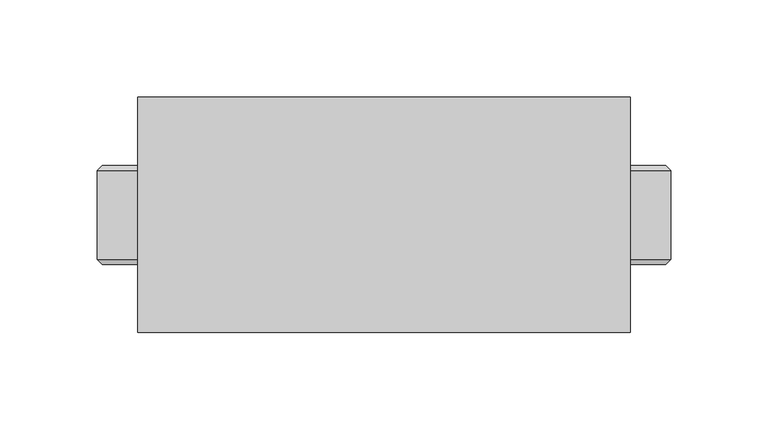
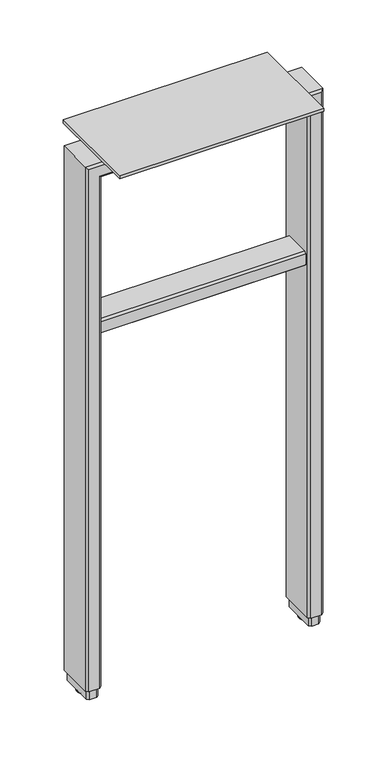
"""IFC4 building model written with IfcOpenShell, lengths in millimetres: furniture geometry."""

from ifc_helpers import new_model, si_unit, point, frame, origin, place, context, project, spatial, polyline, circle_curve, ellipse_curve, trimmed, outline, extrude, faceted_brep, source, transform, mapped, element, save
from ifc_brep_helpers import plane_surface, cylinder_surface, revolved_surface, advanced_brep


def furniture_3f51b61f(model_context):
    return source(origin(), model_context, "Body", "SolidModel", [
        advanced_brep(
        [(-899.438201, 252.9074928, 0.0), (-899.438201, 242.7474889, 0.0), (-899.438201, 247.8274909, 0.0), (-899.438201, 247.8274909, 3.8100001), (-899.438201, 241.204846, 3.8100001), (-899.438201, 254.4501357, 3.8100001), (-899.438201, 240.7154908, 3.183654), (-899.438201, 254.9394909, 3.183654), (-899.438201, 240.7154908, 2.032), (-899.438201, 254.9394909, 2.032)],
        [
            (0, 1, circle_curve(frame((-899.438201, 247.8274909, 0.0), z_axis=(0.0, 0.0, -1.0), x_axis=(0.0, -1.0, 0.0)), 5.080002)),
            (1, 2),
            (2, 0),
            (1, 0, circle_curve(frame((-899.438201, 247.8274909, 0.0), z_axis=(0.0, 0.0, -1.0), x_axis=(0.0, -1.0, 0.0)), 5.080002)),
            (3, 4),
            (4, 5, circle_curve(frame((-899.438201, 247.8274909, 3.8100001), z_axis=(0.0, 0.0, 1.0), x_axis=(0.0, -1.0, 0.0)), 6.6226448)),
            (5, 3),
            (5, 4, circle_curve(frame((-899.438201, 247.8274909, 3.8100001), z_axis=(0.0, 0.0, 1.0), x_axis=(0.0, -1.0, 0.0)), 6.6226448)),
            (4, 6),
            (6, 7, circle_curve(frame((-899.438201, 247.8274909, 3.183654), z_axis=(0.0, 0.0, 1.0), x_axis=(0.0, -1.0, 0.0)), 7.112)),
            (7, 5),
            (7, 6, circle_curve(frame((-899.438201, 247.8274909, 3.183654), z_axis=(0.0, 0.0, 1.0), x_axis=(0.0, -1.0, 0.0)), 7.112)),
            (6, 8),
            (8, 9, circle_curve(frame((-899.438201, 247.8274909, 2.032), z_axis=(0.0, 0.0, 1.0), x_axis=(0.0, -1.0, 0.0)), 7.112)),
            (9, 7),
            (9, 8, circle_curve(frame((-899.438201, 247.8274909, 2.032), z_axis=(0.0, 0.0, 1.0), x_axis=(0.0, -1.0, 0.0)), 7.112)),
            (8, 1, circle_curve(frame((-899.438201, 244.1843303, 3.4688381), z_axis=(1.0, 0.0, 0.0), x_axis=(0.0, -1.0, 0.0)), 3.7546439)),
            (0, 9, circle_curve(frame((-899.438201, 251.4706514, 3.4688381), z_axis=(1.0, 0.0, 0.0), x_axis=(0.0, 1.0, 0.0)), 3.7546439)),
        ],
        [
            plane_surface(frame((-899.438201, 247.8274909, 0.0), z_axis=(0.0, 0.0, -1.0), x_axis=(0.0, -1.0, 0.0))),
            plane_surface(frame((-899.438201, 247.8274909, 3.8100001), z_axis=(0.0, 0.0, 1.0), x_axis=(0.0, -1.0, 0.0))),
            revolved_surface(polyline([(-899.438201, 240.7154908, 3.183654), (-899.438201, 241.204846, 3.8100001)]), (-899.438201, 247.8274909, -2.6032322), (0.0, 0.0, 1.0)),
            cylinder_surface(frame((-899.438201, 247.8274909, -2.6032322), z_axis=(0.0, 0.0, 1.0), x_axis=(0.0, -1.0, 0.0)), 7.112),
            revolved_surface(trimmed(ellipse_curve(frame((-899.438201, 244.1843303, 3.4688381), z_axis=(-1.0, 0.0, 0.0), x_axis=(0.0, -1.0, 0.0)), 3.7546439, 3.7546439), [point((-899.438201, 242.7474889, 0.0))], [point((-899.438201, 240.7154908, 2.032))], True, "CARTESIAN"), (-899.438201, 247.8274909, -2.6032322), (0.0, 0.0, 1.0)),
        ],
        [
            (0, [[1, 2, 3]]),
            (0, [[4, -3, -2]]),
            (1, [[5, 6, 7]]),
            (1, [[-7, 8, -5]]),
            (2, [[-6, 9, 10, 11]]),
            (2, [[-8, -11, 12, -9]]),
            (3, [[-10, 13, 14, 15]]),
            (3, [[-12, -15, 16, -13]]),
            (4, [[-14, 17, -1, 18]]),
            (4, [[-16, -18, -4, -17]]),
        ],
    ),
        extrude(outline(polyline([(-888.262201, 308.1530872), (-635.735401, 308.1530872), (-635.735401, 187.5030872), (-888.262201, 187.5030872), (-888.262201, 308.1530872)])), frame((0.0, 0.0, 702.6656222), z_axis=(0.0, 0.0, 1.0), x_axis=(1.0, 0.0, 0.0)), (0.0, 0.0, 1.0), 4.3434),
        extrude(outline(polyline([(228.7780889, 476.5039908), (228.7780889, 490.4739928), (231.3180893, 493.0139932), (264.3380896, 493.0139932), (266.8780872, 490.4739956), (266.8780872, 476.5039908), (264.3380896, 473.9639932), (231.3180865, 473.9639932), (228.7780889, 476.5039908)])), frame((-889.913201, 0.0, 0.0), z_axis=(1.0, 0.0, 0.0), x_axis=(0.0, 1.0, 0.0)), (0.0, 0.0, 1.0), 255.8288),
        advanced_brep(
        [(-624.559401, 252.9074928, 0.0), (-624.559401, 242.7474889, 0.0), (-624.559401, 247.8274909, 0.0), (-624.559401, 247.8274909, 3.8100001), (-624.559401, 241.204846, 3.8100001), (-624.559401, 254.4501357, 3.8100001), (-624.559401, 240.7154908, 3.183654), (-624.559401, 254.9394909, 3.183654), (-624.559401, 240.7154908, 2.032), (-624.559401, 254.9394909, 2.032)],
        [
            (0, 1, circle_curve(frame((-624.559401, 247.8274909, 0.0), z_axis=(0.0, 0.0, -1.0), x_axis=(0.0, -1.0, 0.0)), 5.080002)),
            (1, 2),
            (2, 0),
            (1, 0, circle_curve(frame((-624.559401, 247.8274909, 0.0), z_axis=(0.0, 0.0, -1.0), x_axis=(0.0, -1.0, 0.0)), 5.080002)),
            (3, 4),
            (4, 5, circle_curve(frame((-624.559401, 247.8274909, 3.8100001), z_axis=(0.0, 0.0, 1.0), x_axis=(0.0, -1.0, 0.0)), 6.6226448)),
            (5, 3),
            (5, 4, circle_curve(frame((-624.559401, 247.8274909, 3.8100001), z_axis=(0.0, 0.0, 1.0), x_axis=(0.0, -1.0, 0.0)), 6.6226448)),
            (4, 6),
            (6, 7, circle_curve(frame((-624.559401, 247.8274909, 3.183654), z_axis=(0.0, 0.0, 1.0), x_axis=(0.0, -1.0, 0.0)), 7.112)),
            (7, 5),
            (7, 6, circle_curve(frame((-624.559401, 247.8274909, 3.183654), z_axis=(0.0, 0.0, 1.0), x_axis=(0.0, -1.0, 0.0)), 7.112)),
            (6, 8),
            (8, 9, circle_curve(frame((-624.559401, 247.8274909, 2.032), z_axis=(0.0, 0.0, 1.0), x_axis=(0.0, -1.0, 0.0)), 7.112)),
            (9, 7),
            (9, 8, circle_curve(frame((-624.559401, 247.8274909, 2.032), z_axis=(0.0, 0.0, 1.0), x_axis=(0.0, -1.0, 0.0)), 7.112)),
            (8, 1, circle_curve(frame((-624.559401, 244.1843303, 3.4688381), z_axis=(1.0, 0.0, 0.0), x_axis=(0.0, -1.0, 0.0)), 3.7546439)),
            (0, 9, circle_curve(frame((-624.559401, 251.4706514, 3.4688381), z_axis=(1.0, 0.0, 0.0), x_axis=(0.0, 1.0, 0.0)), 3.7546439)),
        ],
        [
            plane_surface(frame((-624.559401, 247.8274909, 0.0), z_axis=(0.0, 0.0, -1.0), x_axis=(0.0, -1.0, 0.0))),
            plane_surface(frame((-624.559401, 247.8274909, 3.8100001), z_axis=(0.0, 0.0, 1.0), x_axis=(0.0, -1.0, 0.0))),
            revolved_surface(polyline([(-624.559401, 240.7154908, 3.183654), (-624.559401, 241.204846, 3.8100001)]), (-624.559401, 247.8274909, -2.6032322), (0.0, 0.0, 1.0)),
            cylinder_surface(frame((-624.559401, 247.8274909, -2.6032322), z_axis=(0.0, 0.0, 1.0), x_axis=(0.0, -1.0, 0.0)), 7.112),
            revolved_surface(trimmed(ellipse_curve(frame((-624.559401, 244.1843303, 3.4688381), z_axis=(-1.0, 0.0, 0.0), x_axis=(0.0, -1.0, 0.0)), 3.7546439, 3.7546439), [point((-624.559401, 242.7474889, 0.0))], [point((-624.559401, 240.7154908, 2.032))], True, "CARTESIAN"), (-624.559401, 247.8274909, -2.6032322), (0.0, 0.0, 1.0)),
        ],
        [
            (0, [[1, 2, 3]]),
            (0, [[4, -3, -2]]),
            (1, [[5, 6, 7]]),
            (1, [[-7, 8, -5]]),
            (2, [[-6, 9, 10, 11]]),
            (2, [[-8, -11, 12, -9]]),
            (3, [[-10, 13, 14, 15]]),
            (3, [[-12, -15, 16, -13]]),
            (4, [[-14, 17, -1, 18]]),
            (4, [[-16, -18, -4, -17]]),
        ],
    ),
        extrude(outline(polyline([(-631.6713942, 227.3810872), (-631.6713942, 268.2744895), (-629.1313967, 270.8150861), (-619.9874054, 270.8150861), (-617.4474078, 268.2744895), (-617.4474078, 227.3810872), (-619.9874054, 224.8410873), (-629.1313967, 224.8410873), (-631.6713942, 227.3810872)])), frame((0.0, 0.0, 3.8100001), z_axis=(0.0, 0.0, 1.0), x_axis=(1.0, 0.0, 0.0)), (0.0, 0.0, 1.0), 12.6999999),
        extrude(outline(polyline([(-906.550201, 227.3810872), (-906.550201, 268.2744895), (-904.0102034, 270.8150861), (-894.8662122, 270.8150861), (-892.3262146, 268.2744895), (-892.3262146, 227.3810872), (-894.8662122, 224.8410873), (-904.0102034, 224.8410873), (-906.550201, 227.3810872)])), frame((0.0, 0.0, 3.8100001), z_axis=(0.0, 0.0, 1.0), x_axis=(1.0, 0.0, 0.0)), (0.0, 0.0, 1.0), 12.6999999),
        faceted_brep([(-617.5743986, 222.4274872, 16.51), (-631.5444034, 222.4274872, 16.51), (-634.084401, 224.9674872, 16.51), (-634.084401, 270.6874861, 16.51), (-631.5443989, 273.2274883, 16.51), (-617.5744031, 273.2274883, 16.51), (-615.034401, 270.6874861, 16.51), (-615.034401, 224.9674872, 16.51), (-617.5743986, 222.4274872, 700.1256246), (-906.4232034, 222.4274872, 700.1256246), (-906.4232034, 222.4274872, 16.51), (-892.4531986, 222.4274872, 16.51), (-892.4531986, 222.4274872, 686.1556198), (-631.5444034, 222.4274872, 686.1556198), (-634.084401, 224.9674872, 683.6156222), (-634.084401, 270.6874861, 683.6156222), (-631.5443989, 273.2274883, 686.1556243), (-892.4532031, 273.2274883, 686.1556243), (-892.4532031, 273.2274883, 16.51), (-906.4231989, 273.2274883, 16.51), (-906.4231989, 273.2274883, 700.1256201), (-617.5744031, 273.2274883, 700.1256201), (-615.034401, 270.6874861, 702.6656222), (-615.034401, 224.9674872, 702.6656222), (-889.913201, 224.9674872, 683.6156222), (-889.913201, 270.6874861, 683.6156222), (-908.963201, 270.6874861, 702.6656222), (-908.963201, 224.9674872, 702.6656222), (-889.913201, 224.9674872, 16.51), (-889.913201, 270.6874861, 16.51), (-908.963201, 270.6874861, 16.51), (-908.963201, 224.9674872, 16.51)], [[[0, 1, 2, 3, 4, 5, 6, 7]], [[1, 0, 8, 9, 10, 11, 12, 13]], [[2, 1, 13, 14]], [[3, 2, 14, 15]], [[5, 4, 16, 17, 18, 19, 20, 21]], [[6, 5, 21, 22]], [[7, 6, 22, 23]], [[0, 7, 23, 8]], [[14, 13, 12, 24]], [[15, 14, 24, 25]], [[22, 21, 20, 26]], [[23, 22, 26, 27]], [[8, 23, 27, 9]], [[24, 12, 11, 28]], [[25, 24, 28, 29]], [[26, 20, 19, 30]], [[27, 26, 30, 31]], [[9, 27, 31, 10]], [[10, 31, 30, 19, 18, 29, 28, 11]], [[4, 3, 15, 16]], [[16, 15, 25, 17]], [[17, 25, 29, 18]]]),
    ])


if __name__ == "__main__":
    model = new_model("IFC4")
    model_context = context("Model", 3, world=origin())
    ifc_project = project(units=[si_unit("LENGTHUNIT", "METRE", prefix="MILLI")], contexts=[model_context])
    site = spatial("IfcSite", under=ifc_project)
    building = spatial("IfcBuilding", under=site)
    placement = place(None, origin())
    furniture_shape = furniture_3f51b61f(model_context)
    element("IfcFurniture", 1, at=placement, inside=building, context=model_context, shape_type="MappedRepresentation", body=[
        mapped(furniture_shape, transform((0.0, 0.0, 0.0), x_axis=(1.0, 0.0, 0.0), y_axis=(0.0, 1.0, 0.0), z_axis=(0.0, 0.0, 1.0))),
    ])
    save(model, "model.ifc")
